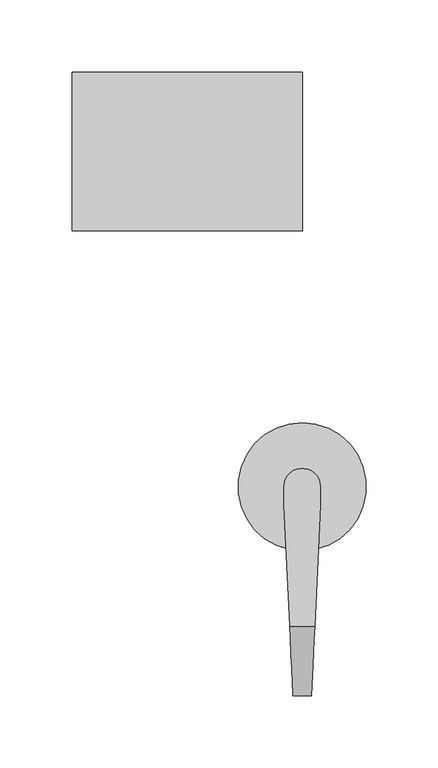
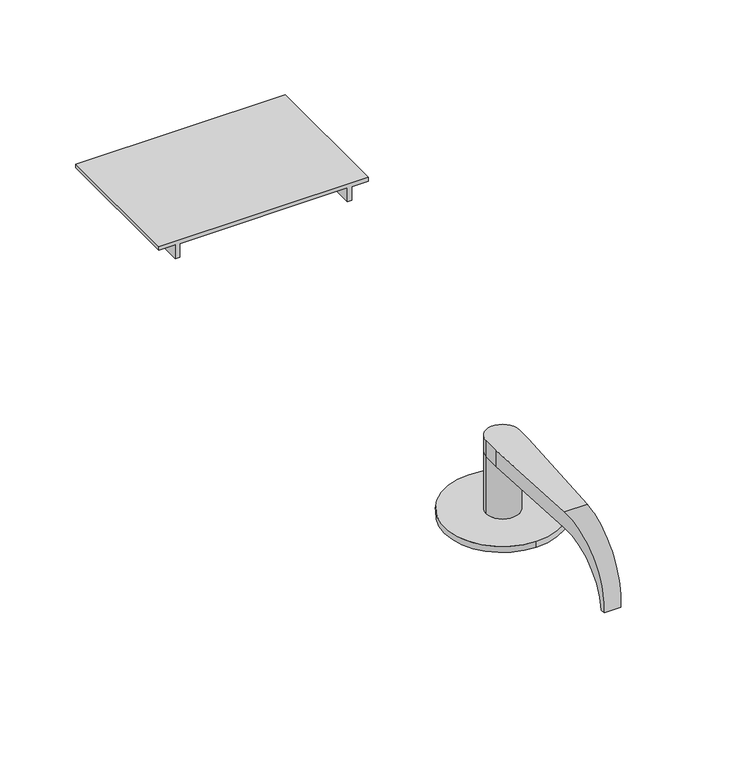
"""IFC4 building model written with IfcOpenShell, lengths in millimetres: proxy geometry."""

from ifc_helpers import new_model, si_unit, frame, origin, place, context, project, spatial, polyline, circle_curve, ellipse_curve, outline, extrude, source, transform, mapped, element, save
from ifc_brep_helpers import plane_surface, cylinder_surface, revolved_surface, advanced_brep


def security_devices_bca6093a(model_context):
    return source(origin(), model_context, "Body", "SolidModel", [
        extrude(outline(polyline([(150.0, -147.3001101), (150.0, -144.1251101), (161.0132812, -144.1251101), (161.0132812, -15.8751101), (150.0, -15.8751101), (150.0, -12.7001101), (161.0132812, -12.7001101), (161.0132812, -0.0001101), (163.9898437, -0.0001101), (163.9898437, -160.0001101), (161.0132812, -160.0001101), (161.0132812, -147.3001101), (150.0, -147.3001101)])), frame((0.0, 177.8, 0.0), z_axis=(0.0, 1.0, 0.0), x_axis=(0.0, 0.0, 1.0)), (0.0, 0.0, 1.0), 110.0),
        advanced_brep(
        [(-0.0080171, -44.4552377, 4.7622), (-0.0080171, 44.4447623, 4.7622), (12.6999978, -0.006278, 4.7622), (-12.7000022, -0.006278, 4.7622), (-0.0080171, -44.4552377, -0.0003), (-0.0080171, 44.4447623, -0.0003), (-12.7000022, 0.006278, 50.7997), (-12.7000022, -12.693722, 50.7997), (-12.7000022, -12.693722, 63.4997), (-12.7000022, 0.006278, 63.4997), (12.6999978, -12.693722, 50.7997), (12.6999978, 0.006278, 50.7997), (12.6999978, -0.006278, 63.4997), (12.6999978, -12.693722, 63.4997), (8.6682503, -96.831222, 50.7997), (-8.6682548, -96.831222, 50.7997), (-8.6682548, -96.831222, 63.4997), (8.6682503, -96.831222, 63.4997), (-6.3500022, -145.210237, 19.1808168), (-6.3500022, -145.210237, 10.688597), (6.3499978, -145.210237, 10.688597), (6.3499978, -145.210237, 19.1808168), (-6.5035986, -142.0048745, 10.688597), (6.5035941, -142.0048745, 10.688597)],
        [
            (0, 1, circle_curve(frame((-0.0080171, -0.0052377, 4.7622), z_axis=(0.0, 0.0, 1.0), x_axis=(0.0, 1.0, 0.0)), 44.45)),
            (1, 0, circle_curve(frame((-0.0080171, -0.0052377, 4.7622), z_axis=(0.0, 0.0, 1.0), x_axis=(0.0, 1.0, 0.0)), 44.45)),
            (2, 3, circle_curve(frame((-2.2e-06, -0.006278, 4.7622), z_axis=(0.0, 0.0, -1.0), x_axis=(0.0, 1.0, 0.0)), 12.7)),
            (3, 2, circle_curve(frame((-2.2e-06, -0.006278, 4.7622), z_axis=(0.0, 0.0, -1.0), x_axis=(0.0, 1.0, 0.0)), 12.7)),
            (4, 5, circle_curve(frame((-0.0080171, -0.0052377, -0.0003), z_axis=(0.0, 0.0, -1.0), x_axis=(0.0, 1.0, 0.0)), 44.45)),
            (5, 4, circle_curve(frame((-0.0080171, -0.0052377, -0.0003), z_axis=(0.0, 0.0, -1.0), x_axis=(0.0, 1.0, 0.0)), 44.45)),
            (0, 4),
            (5, 1),
            (6, 7),
            (7, 8),
            (8, 9),
            (9, 6),
            (10, 11),
            (11, 12),
            (12, 13),
            (13, 10),
            (6, 11, circle_curve(frame((-2.2e-06, -0.006278, 50.7997), z_axis=(0.0, 0.0, 1.0), x_axis=(0.0, 1.0, 0.0)), 12.7)),
            (10, 14),
            (14, 15),
            (15, 7),
            (16, 17),
            (17, 13),
            (12, 9, circle_curve(frame((-2.2e-06, -0.006278, 63.4997), z_axis=(0.0, 0.0, 1.0), x_axis=(0.0, 1.0, 0.0)), 12.7)),
            (8, 16),
            (16, 18, ellipse_curve(frame((-8.6682548, -96.831222, 14.9347069), z_axis=(0.9988538794169151, 0.04786363519185428, 0.0), x_axis=(-0.04786363519185472, 0.9988538794169151, 0.0)), 48.6207182, 48.564993)),
            (18, 19, circle_curve(frame((-6.3500022, -96.831222, 14.9347069), z_axis=(1.0, 0.0, 0.0), x_axis=(0.0, -1.0, 0.0)), 48.564993)),
            (19, 20),
            (20, 21, circle_curve(frame((6.3499978, -96.831222, 14.9347069), z_axis=(-1.0, 0.0, 0.0), x_axis=(0.0, -1.0, 0.0)), 48.564993)),
            (21, 17, ellipse_curve(frame((8.6682503, -96.831222, 14.9347069), z_axis=(-0.9988538794169147, 0.04786363519186215, 0.0), x_axis=(-0.047863635191859884, -0.9988538794169148, 0.0)), 48.6207182, 48.564993)),
            (19, 22),
            (22, 23),
            (23, 20),
            (22, 15, ellipse_curve(frame((-8.6682548, -96.831222, 5.3065672), z_axis=(-0.9988538794169151, -0.04786363519185428, 0.0), x_axis=(0.04786363519185472, -0.9988538794169151, 0.0)), 45.5453332, 45.4931328)),
            (14, 23, ellipse_curve(frame((8.6682503, -96.831222, 5.3065672), z_axis=(0.9988538794169147, -0.04786363519186215, 0.0), x_axis=(0.047863635191859884, 0.9988538794169148, 0.0)), 45.5453332, 45.4931328)),
            (21, 20),
            (18, 19),
            (6, 3),
            (2, 11),
            (6, 11, circle_curve(frame((-2.2e-06, -0.006278, 50.7997), z_axis=(0.0, 0.0, -1.0), x_axis=(0.0, 1.0, 0.0)), 12.7)),
        ],
        [
            plane_surface(frame((-0.0080171, 44.4447623, 4.7622), z_axis=(0.0, 0.0, 1.0), x_axis=(-1.0, 0.0, 0.0))),
            plane_surface(frame((-0.0080171, 44.4447623, -0.0003), z_axis=(0.0, 0.0, -1.0), x_axis=(1.0, 0.0, 0.0))),
            cylinder_surface(frame((-0.0080171, -0.0052377, -0.0003), z_axis=(0.0, 0.0, 1.0), x_axis=(0.0, 1.0, 0.0)), 44.45),
            plane_surface(frame((-12.7000022, -142.3243547, 5.3065672), z_axis=(-1.0, 0.0, 0.0), x_axis=(0.0, 0.0, -1.0))),
            plane_surface(frame((12.6999978, -142.3243547, 5.3065672), z_axis=(1.0, 0.0, 0.0), x_axis=(0.0, 0.0, 1.0))),
            plane_surface(frame((-12.7000022, -25.0324224, 50.7997), z_axis=(0.0, 0.0, -1.0), x_axis=(1.0, 0.0, 0.0))),
            plane_surface(frame((-12.7000022, -96.831222, 63.4997), z_axis=(0.0, 0.0, 1.0), x_axis=(1.0, 0.0, 0.0))),
            cylinder_surface(frame((12.6999978, -96.831222, 14.9347069), z_axis=(-1.0, 0.0, 0.0), x_axis=(0.0, -1.0, 0.0)), 48.564993),
            plane_surface(frame((-12.7000022, -142.0048745, 10.688597), z_axis=(0.0, 0.0, -1.0), x_axis=(1.0, 0.0, 0.0))),
            revolved_surface(polyline([(10.848215512976505, -142.32435479999998, 5.3065672), (-10.848220012976268, -142.32435479999998, 5.3065672)]), (12.6999978, -96.831222, 5.3065672), (1.0, 0.0, 0.0)),
            plane_surface(frame((13.3082626, 0.0, 66.7497141), z_axis=(0.9988538794169147, -0.04786363519186215, 0.0), x_axis=(0.0, 0.0, -1.0))),
            plane_surface(frame((6.3499978, -145.210237, 66.7497141), z_axis=(1.0, 0.0, 0.0), x_axis=(0.0, 0.0, -1.0))),
            plane_surface(frame((-6.3500022, -148.3951356, 66.7497141), z_axis=(-1.0, 0.0, 0.0), x_axis=(0.0, 0.0, -1.0))),
            plane_surface(frame((-6.3500022, -145.210237, 66.7497141), z_axis=(-0.9988538794169151, -0.04786363519185428, 0.0), x_axis=(0.0, 0.0, -1.0))),
            cylinder_surface(frame((-2.2e-06, -0.006278, 4.7622), z_axis=(0.0, 0.0, 1.0), x_axis=(0.0, 1.0, 0.0)), 12.7),
            cylinder_surface(frame((-2.2e-06, -0.006278, 50.7997), z_axis=(0.0, 0.0, -1.0), x_axis=(0.0, 1.0, 0.0)), 12.7),
        ],
        [
            (0, [[1, 2], [3, 4]]),
            (1, [[5, 6]]),
            (2, [[-1, 7, -6, 8]]),
            (2, [[-2, -8, -5, -7]]),
            (3, [[9, 10, 11, 12]]),
            (4, [[13, 14, 15, 16]]),
            (5, [[17, -13, 18, 19, 20, -9]]),
            (6, [[21, 22, -15, 23, -11, 24]]),
            (7, [[-21, 25, 26, 27, 28, 29]]),
            (8, [[-27, 30, 31, 32]]),
            (9, [[-31, 33, -19, 34]]),
            (10, [[35, -32, -34, -18, -16, -22, -29]]),
            (11, [[-35, -28]]),
            (12, [[36, -26]]),
            (13, [[-36, -25, -24, -10, -20, -33, -30]]),
            (14, [[-17, 37, -3, 38]]),
            (14, [[-37, 39, -38, -4]]),
            (15, [[-12, -23, -14, -39]]),
        ],
    ),
    ])


if __name__ == "__main__":
    model = new_model("IFC4")
    model_context = context("Model", 3, world=origin())
    ifc_project = project(units=[si_unit("LENGTHUNIT", "METRE", prefix="MILLI")], contexts=[model_context])
    site = spatial("IfcSite", under=ifc_project)
    building = spatial("IfcBuilding", under=site)
    placement = place(None, origin())
    security_devices_shape = security_devices_bca6093a(model_context)
    element("IfcBuildingElementProxy", 1, Name="Security Devices", at=placement, inside=building, context=model_context, shape_type="MappedRepresentation", body=[
        mapped(security_devices_shape, transform((0.0, 0.0, 0.0), x_axis=(1.0, 0.0, 0.0), y_axis=(0.0, 1.0, 0.0), z_axis=(0.0, 0.0, 1.0))),
    ])
    save(model, "model.ifc")
